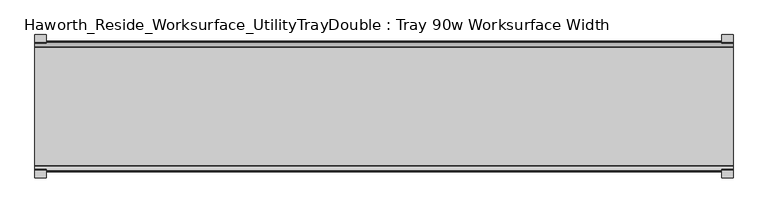
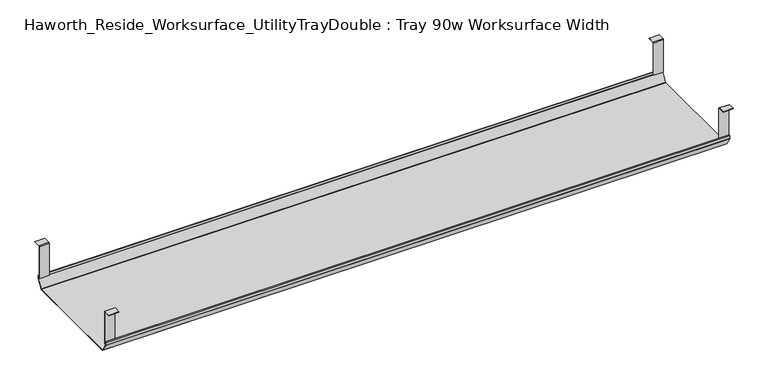
"""IFC4 building model written with IfcOpenShell, lengths in millimetres: furniture geometry, Haworth_Reside_Worksurface_UtilityTrayDouble : Tray 90w Worksurface Width."""

from ifc_helpers import new_model, si_unit, frame, origin, place, context, project, spatial, polyline, outline, extrude, source, transform, mapped, element, save


def haworth_reside_worksurface_utilitytraydouble_tray_90w_4e3d6d97(model_context):
    return source(origin(), model_context, "Body", "SweptSolid", [
        extrude(outline(polyline([(-721.2228768, 731.8375), (-718.8278791, 729.4425023), (-718.8278791, 621.6649855), (-720.2248778, 621.6649855), (-720.2248778, 729.0734626), (-721.7824239, 730.6310087), (-743.0086797, 730.6310087), (-743.0086797, 731.8375), (-721.2228768, 731.8375)])), frame((1174.6991976, 0.0, 0.0), z_axis=(1.0, 0.0, 0.0), x_axis=(0.0, 1.0, 0.0)), (0.0, 0.0, 1.0), 31.8008024),
        extrude(outline(polyline([(-357.7340763, 731.8375), (-335.9482734, 731.8375), (-335.9482734, 730.6310087), (-357.1745292, 730.6310087), (-358.7320753, 729.0734626), (-358.7320753, 621.6649855), (-360.129074, 621.6649855), (-360.129074, 729.4425023), (-357.7340763, 731.8375)])), frame((1174.6991976, 0.0, 0.0), z_axis=(1.0, 0.0, 0.0), x_axis=(0.0, 1.0, 0.0)), (0.0, 0.0, 1.0), 31.8008024),
        extrude(outline(polyline([(-721.2228768, 731.8375), (-718.8278791, 729.4425023), (-718.8278791, 621.6649855), (-720.2248778, 621.6649855), (-720.2248778, 729.0734626), (-721.7824239, 730.6310087), (-743.0086797, 730.6310087), (-743.0086797, 731.8375), (-721.2228768, 731.8375)])), frame((-774.7, 0.0, 0.0), z_axis=(1.0, 0.0, 0.0), x_axis=(0.0, 1.0, 0.0)), (0.0, 0.0, 1.0), 31.8008024),
        extrude(outline(polyline([(-357.7340763, 731.8375), (-335.9482734, 731.8375), (-335.9482734, 730.6310087), (-357.1745292, 730.6310087), (-358.7320753, 729.0734626), (-358.7320753, 621.6649855), (-360.129074, 621.6649855), (-360.129074, 729.4425023), (-357.7340763, 731.8375)])), frame((-774.7, 0.0, 0.0), z_axis=(1.0, 0.0, 0.0), x_axis=(0.0, 1.0, 0.0)), (0.0, 0.0, 1.0), 31.8008024),
        extrude(outline(polyline([(-725.025475, 629.0309966), (-722.993477, 631.0629947), (-722.432211, 630.5017287), (-724.231725, 628.7022146), (-724.231725, 620.8042827), (-724.0067745, 619.9647622), (-708.9140802, 593.8234395), (-707.4787101, 592.9947272), (-371.478243, 592.9947272), (-370.0428729, 593.8234395), (-354.9501786, 619.9647622), (-354.7252281, 620.8042827), (-354.7252281, 628.7022146), (-356.5247421, 630.5017287), (-355.9634761, 631.0629947), (-353.9314781, 629.0309966), (-353.9314781, 620.6997828), (-354.2105217, 619.6583856), (-369.5353957, 593.1149156), (-371.1183815, 592.2009772), (-707.691395, 592.2009772), (-709.4951457, 593.2423744), (-724.7464314, 619.6583856), (-725.025475, 620.6997828), (-725.025475, 629.0309966)])), frame((-774.7, 0.0, 0.0), z_axis=(1.0, 0.0, 0.0), x_axis=(0.0, 1.0, 0.0)), (0.0, 0.0, 1.0), 1981.2),
    ])


if __name__ == "__main__":
    model = new_model("IFC4")
    model_context = context("Model", 3, world=origin())
    ifc_project = project(units=[si_unit("LENGTHUNIT", "METRE", prefix="MILLI")], contexts=[model_context])
    site = spatial("IfcSite", under=ifc_project)
    building = spatial("IfcBuilding", under=site)
    placement = place(None, origin())
    haworth_reside_worksurface_utilitytraydouble_tray_90w_shape = haworth_reside_worksurface_utilitytraydouble_tray_90w_4e3d6d97(model_context)
    element("IfcFurniture", 1, ObjectType="Haworth_Reside_Worksurface_UtilityTrayDouble : Tray 90w Worksurface Width", at=placement, inside=building, context=model_context, shape_type="MappedRepresentation", body=[
        mapped(haworth_reside_worksurface_utilitytraydouble_tray_90w_shape, transform((0.0, 0.0, 0.0), x_axis=(1.0, 0.0, 0.0), y_axis=(0.0, 1.0, 0.0), z_axis=(0.0, 0.0, 1.0))),
    ])
    save(model, "model.ifc")
